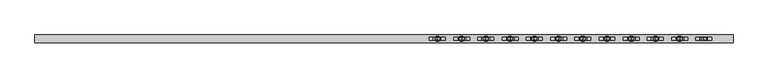
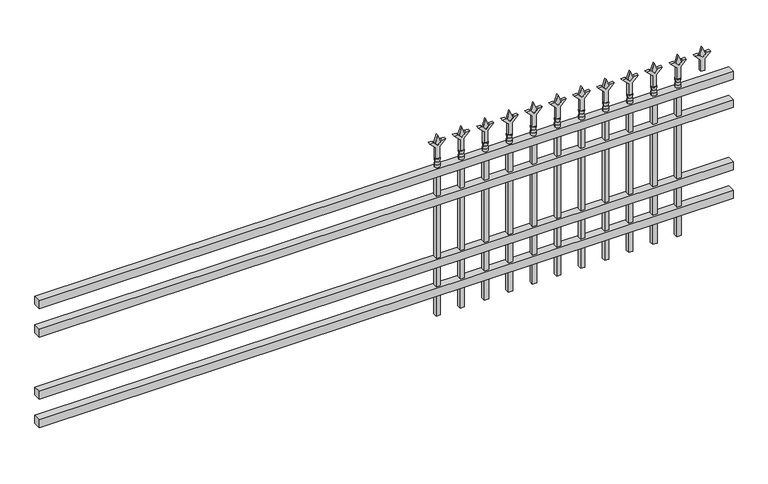
"""IFC4 building model written with IfcOpenShell, lengths in millimetres: railing geometry."""

from ifc_helpers import new_model, si_unit, frame, origin, place, context, project, spatial, polyline, circle_curve, outline, extrude, source, transform, mapped, element, save
from ifc_brep_helpers import plane_surface, cylinder_surface, revolved_surface, advanced_brep


def railing_8691bef2(model_context):
    return source(origin(), model_context, "Body", "SolidModel", [
        extrude(outline(polyline([(-91799.918087, -6748.7195174), (-91799.918087, -6713.7945174), (-88650.318087, -6713.7945174), (-88650.318087, -6748.7195174), (-91799.918087, -6748.7195174)])), frame((0.0, 0.0, 723.9), z_axis=(0.0, 0.0, 1.0), x_axis=(1.0, 0.0, 0.0)), (0.0, 0.0, 1.0), 38.1),
        extrude(outline(polyline([(-91799.918087, -6748.7195174), (-91799.918087, -6713.7945174), (-88650.318087, -6713.7945174), (-88650.318087, -6748.7195174), (-91799.918087, -6748.7195174)])), frame((0.0, 0.0, 587.375), z_axis=(0.0, 0.0, 1.0), x_axis=(1.0, 0.0, 0.0)), (0.0, 0.0, 1.0), 38.1),
        extrude(outline(polyline([(-91799.918087, -6748.7195174), (-91799.918087, -6713.7945174), (-88650.318087, -6713.7945174), (-88650.318087, -6748.7195174), (-91799.918087, -6748.7195174)])), frame((0.0, 0.0, 288.925), z_axis=(0.0, 0.0, 1.0), x_axis=(1.0, 0.0, 0.0)), (0.0, 0.0, 1.0), 38.1),
        extrude(outline(polyline([(-91799.918087, -6748.7195174), (-91799.918087, -6713.7945174), (-88650.318087, -6713.7945174), (-88650.318087, -6748.7195174), (-91799.918087, -6748.7195174)])), frame((0.0, 0.0, 152.4), z_axis=(0.0, 0.0, 1.0), x_axis=(1.0, 0.0, 0.0)), (0.0, 0.0, 1.0), 38.1),
        extrude(outline(polyline([(878.68125, -88879.4472536), (914.4, -88891.3535036), (878.68125, -88903.2597536), (866.775, -88891.3535036), (878.68125, -88879.4472536)])), frame((0.0, -6736.0195174, 0.0), z_axis=(0.0, 1.0, 0.0), x_axis=(0.0, 0.0, 1.0)), (0.0, 0.0, 1.0), 9.525),
        extrude(outline(polyline([(803.275, -88882.6222536), (857.5457378, -88882.6222536), (884.7355122, -88855.4324791), (884.7355122, -88873.3929914), (866.775, -88891.3535036), (884.7355122, -88909.3140159), (884.7355122, -88927.2745281), (857.5457378, -88900.0847536), (803.275, -88900.0847536), (803.275, -88882.6222536)])), frame((0.0, -6737.6070174, 0.0), z_axis=(0.0, 1.0, 0.0), x_axis=(0.0, 0.0, 1.0)), (0.0, 0.0, 1.0), 12.7),
        advanced_brep(
        [(-88879.4472536, -6731.2570174, 774.7), (-88903.2597536, -6731.2570174, 774.7), (-88903.2597536, -6731.2570174, 762.0), (-88879.4472536, -6731.2570174, 762.0), (-88881.6525855, -6731.2570174, 787.2070585), (-88901.0544218, -6731.2570174, 787.2070585), (-88879.4472536, -6731.2570174, 803.275), (-88903.2597536, -6731.2570174, 803.275), (-88891.3535036, -6731.2570174, 803.275), (-88891.3535036, -6731.2570174, 762.0)],
        [
            (0, 1, circle_curve(frame((-88891.3535036, -6731.2570174, 774.7), z_axis=(0.0, 0.0, -1.0), x_axis=(-1.0, 0.0, 0.0)), 11.90625)),
            (1, 2),
            (2, 3, circle_curve(frame((-88891.3535036, -6731.2570174, 762.0), z_axis=(0.0, 0.0, 1.0), x_axis=(-1.0, 0.0, 0.0)), 11.90625)),
            (3, 0),
            (1, 0, circle_curve(frame((-88891.3535036, -6731.2570174, 774.7), z_axis=(0.0, 0.0, -1.0), x_axis=(-1.0, 0.0, 0.0)), 11.90625)),
            (3, 2, circle_curve(frame((-88891.3535036, -6731.2570174, 762.0), z_axis=(0.0, 0.0, 1.0), x_axis=(-1.0, 0.0, 0.0)), 11.90625)),
            (4, 5, circle_curve(frame((-88891.3535036, -6731.2570174, 787.2070585), z_axis=(0.0, 0.0, -1.0), x_axis=(-1.0, 0.0, 0.0)), 9.7009181)),
            (5, 1),
            (0, 4),
            (5, 4, circle_curve(frame((-88891.3535036, -6731.2570174, 787.2070585), z_axis=(0.0, 0.0, -1.0), x_axis=(-1.0, 0.0, 0.0)), 9.7009181)),
            (6, 7, circle_curve(frame((-88891.3535036, -6731.2570174, 803.275), z_axis=(0.0, 0.0, -1.0), x_axis=(-1.0, 0.0, 0.0)), 11.90625)),
            (7, 5),
            (4, 6),
            (7, 6, circle_curve(frame((-88891.3535036, -6731.2570174, 803.275), z_axis=(0.0, 0.0, -1.0), x_axis=(-1.0, 0.0, 0.0)), 11.90625)),
            (8, 7),
            (6, 8),
            (2, 9),
            (9, 3),
        ],
        [
            cylinder_surface(frame((-88891.3535036, -6731.2570174, 762.0), z_axis=(0.0, 0.0, 1.0), x_axis=(-1.0, 0.0, 0.0)), 11.90625),
            revolved_surface(polyline([(-88903.2597536, -6731.2570174, 774.7), (-88901.0544218, -6731.2570174, 787.2070585)]), (-88891.3535036, -6731.2570174, 762.0), (0.0, 0.0, 1.0)),
            revolved_surface(polyline([(-88901.0544218, -6731.2570174, 787.2070585), (-88903.2597536, -6731.2570174, 803.275)]), (-88891.3535036, -6731.2570174, 762.0), (0.0, 0.0, 1.0)),
            plane_surface(frame((-88891.3535036, -6731.2570174, 803.275), z_axis=(0.0, 0.0, 1.0), x_axis=(-1.0, 0.0, 0.0))),
            plane_surface(frame((-88891.3535036, -6731.2570174, 762.0), z_axis=(0.0, 0.0, -1.0), x_axis=(-1.0, 0.0, 0.0))),
        ],
        [
            (0, [[1, 2, 3, 4]]),
            (0, [[5, -4, 6, -2]]),
            (1, [[7, 8, -1, 9]]),
            (1, [[10, -9, -5, -8]]),
            (2, [[11, 12, -7, 13]]),
            (2, [[14, -13, -10, -12]]),
            (3, [[15, -11, 16]]),
            (3, [[-16, -14, -15]]),
            (4, [[-3, 17, 18]]),
            (4, [[-6, -18, -17]]),
        ],
    ),
        extrude(outline(polyline([(-88900.8785036, -6721.7320174), (-88881.8285036, -6721.7320174), (-88881.8285036, -6740.7820174), (-88900.8785036, -6740.7820174), (-88900.8785036, -6721.7320174)])), frame((0.0, 0.0, 50.8), z_axis=(0.0, 0.0, 1.0), x_axis=(1.0, 0.0, 0.0)), (0.0, 0.0, 1.0), 711.2),
        extrude(outline(polyline([(878.68125, -88988.7201703), (914.4, -89000.6264203), (878.68125, -89012.5326703), (866.775, -89000.6264203), (878.68125, -88988.7201703)])), frame((0.0, -6736.0195174, 0.0), z_axis=(0.0, 1.0, 0.0), x_axis=(0.0, 0.0, 1.0)), (0.0, 0.0, 1.0), 9.525),
        extrude(outline(polyline([(803.275, -88991.8951703), (857.5457378, -88991.8951703), (884.7355122, -88964.7053958), (884.7355122, -88982.6659081), (866.775, -89000.6264203), (884.7355122, -89018.5869325), (884.7355122, -89036.5474448), (857.5457378, -89009.3576703), (803.275, -89009.3576703), (803.275, -88991.8951703)])), frame((0.0, -6737.6070174, 0.0), z_axis=(0.0, 1.0, 0.0), x_axis=(0.0, 0.0, 1.0)), (0.0, 0.0, 1.0), 12.7),
        advanced_brep(
        [(-88988.7201703, -6731.2570174, 774.7), (-89012.5326703, -6731.2570174, 774.7), (-89012.5326703, -6731.2570174, 762.0), (-88988.7201703, -6731.2570174, 762.0), (-88990.9255022, -6731.2570174, 787.2070585), (-89010.3273384, -6731.2570174, 787.2070585), (-88988.7201703, -6731.2570174, 803.275), (-89012.5326703, -6731.2570174, 803.275), (-89000.6264203, -6731.2570174, 803.275), (-89000.6264203, -6731.2570174, 762.0)],
        [
            (0, 1, circle_curve(frame((-89000.6264203, -6731.2570174, 774.7), z_axis=(0.0, 0.0, -1.0), x_axis=(-1.0, 0.0, 0.0)), 11.90625)),
            (1, 2),
            (2, 3, circle_curve(frame((-89000.6264203, -6731.2570174, 762.0), z_axis=(0.0, 0.0, 1.0), x_axis=(-1.0, 0.0, 0.0)), 11.90625)),
            (3, 0),
            (1, 0, circle_curve(frame((-89000.6264203, -6731.2570174, 774.7), z_axis=(0.0, 0.0, -1.0), x_axis=(-1.0, 0.0, 0.0)), 11.90625)),
            (3, 2, circle_curve(frame((-89000.6264203, -6731.2570174, 762.0), z_axis=(0.0, 0.0, 1.0), x_axis=(-1.0, 0.0, 0.0)), 11.90625)),
            (4, 5, circle_curve(frame((-89000.6264203, -6731.2570174, 787.2070585), z_axis=(0.0, 0.0, -1.0), x_axis=(-1.0, 0.0, 0.0)), 9.7009181)),
            (5, 1),
            (0, 4),
            (5, 4, circle_curve(frame((-89000.6264203, -6731.2570174, 787.2070585), z_axis=(0.0, 0.0, -1.0), x_axis=(-1.0, 0.0, 0.0)), 9.7009181)),
            (6, 7, circle_curve(frame((-89000.6264203, -6731.2570174, 803.275), z_axis=(0.0, 0.0, -1.0), x_axis=(-1.0, 0.0, 0.0)), 11.90625)),
            (7, 5),
            (4, 6),
            (7, 6, circle_curve(frame((-89000.6264203, -6731.2570174, 803.275), z_axis=(0.0, 0.0, -1.0), x_axis=(-1.0, 0.0, 0.0)), 11.90625)),
            (8, 7),
            (6, 8),
            (2, 9),
            (9, 3),
        ],
        [
            cylinder_surface(frame((-89000.6264203, -6731.2570174, 762.0), z_axis=(0.0, 0.0, 1.0), x_axis=(-1.0, 0.0, 0.0)), 11.90625),
            revolved_surface(polyline([(-89012.5326703, -6731.2570174, 774.7), (-89010.3273384, -6731.2570174, 787.2070585)]), (-89000.6264203, -6731.2570174, 762.0), (0.0, 0.0, 1.0)),
            revolved_surface(polyline([(-89010.3273384, -6731.2570174, 787.2070585), (-89012.5326703, -6731.2570174, 803.275)]), (-89000.6264203, -6731.2570174, 762.0), (0.0, 0.0, 1.0)),
            plane_surface(frame((-89000.6264203, -6731.2570174, 803.275), z_axis=(0.0, 0.0, 1.0), x_axis=(-1.0, 0.0, 0.0))),
            plane_surface(frame((-89000.6264203, -6731.2570174, 762.0), z_axis=(0.0, 0.0, -1.0), x_axis=(-1.0, 0.0, 0.0))),
        ],
        [
            (0, [[1, 2, 3, 4]]),
            (0, [[5, -4, 6, -2]]),
            (1, [[7, 8, -1, 9]]),
            (1, [[10, -9, -5, -8]]),
            (2, [[11, 12, -7, 13]]),
            (2, [[14, -13, -10, -12]]),
            (3, [[15, -11, 16]]),
            (3, [[-16, -14, -15]]),
            (4, [[-3, 17, 18]]),
            (4, [[-6, -18, -17]]),
        ],
    ),
        extrude(outline(polyline([(-89010.1514203, -6721.7320174), (-88991.1014203, -6721.7320174), (-88991.1014203, -6740.7820174), (-89010.1514203, -6740.7820174), (-89010.1514203, -6721.7320174)])), frame((0.0, 0.0, 50.8), z_axis=(0.0, 0.0, 1.0), x_axis=(1.0, 0.0, 0.0)), (0.0, 0.0, 1.0), 711.2),
        extrude(outline(polyline([(878.68125, -89097.993087), (914.4, -89109.899337), (878.68125, -89121.805587), (866.775, -89109.899337), (878.68125, -89097.993087)])), frame((0.0, -6736.0195174, 0.0), z_axis=(0.0, 1.0, 0.0), x_axis=(0.0, 0.0, 1.0)), (0.0, 0.0, 1.0), 9.525),
        extrude(outline(polyline([(803.275, -89101.168087), (857.5457378, -89101.168087), (884.7355122, -89073.9783125), (884.7355122, -89091.9388247), (866.775, -89109.899337), (884.7355122, -89127.8598492), (884.7355122, -89145.8203614), (857.5457378, -89118.630587), (803.275, -89118.630587), (803.275, -89101.168087)])), frame((0.0, -6737.6070174, 0.0), z_axis=(0.0, 1.0, 0.0), x_axis=(0.0, 0.0, 1.0)), (0.0, 0.0, 1.0), 12.7),
        advanced_brep(
        [(-89097.993087, -6731.2570174, 774.7), (-89121.805587, -6731.2570174, 774.7), (-89121.805587, -6731.2570174, 762.0), (-89097.993087, -6731.2570174, 762.0), (-89100.1984188, -6731.2570174, 787.2070585), (-89119.6002551, -6731.2570174, 787.2070585), (-89097.993087, -6731.2570174, 803.275), (-89121.805587, -6731.2570174, 803.275), (-89109.899337, -6731.2570174, 803.275), (-89109.899337, -6731.2570174, 762.0)],
        [
            (0, 1, circle_curve(frame((-89109.899337, -6731.2570174, 774.7), z_axis=(0.0, 0.0, -1.0), x_axis=(-1.0, 0.0, 0.0)), 11.90625)),
            (1, 2),
            (2, 3, circle_curve(frame((-89109.899337, -6731.2570174, 762.0), z_axis=(0.0, 0.0, 1.0), x_axis=(-1.0, 0.0, 0.0)), 11.90625)),
            (3, 0),
            (1, 0, circle_curve(frame((-89109.899337, -6731.2570174, 774.7), z_axis=(0.0, 0.0, -1.0), x_axis=(-1.0, 0.0, 0.0)), 11.90625)),
            (3, 2, circle_curve(frame((-89109.899337, -6731.2570174, 762.0), z_axis=(0.0, 0.0, 1.0), x_axis=(-1.0, 0.0, 0.0)), 11.90625)),
            (4, 5, circle_curve(frame((-89109.899337, -6731.2570174, 787.2070585), z_axis=(0.0, 0.0, -1.0), x_axis=(-1.0, 0.0, 0.0)), 9.7009181)),
            (5, 1),
            (0, 4),
            (5, 4, circle_curve(frame((-89109.899337, -6731.2570174, 787.2070585), z_axis=(0.0, 0.0, -1.0), x_axis=(-1.0, 0.0, 0.0)), 9.7009181)),
            (6, 7, circle_curve(frame((-89109.899337, -6731.2570174, 803.275), z_axis=(0.0, 0.0, -1.0), x_axis=(-1.0, 0.0, 0.0)), 11.90625)),
            (7, 5),
            (4, 6),
            (7, 6, circle_curve(frame((-89109.899337, -6731.2570174, 803.275), z_axis=(0.0, 0.0, -1.0), x_axis=(-1.0, 0.0, 0.0)), 11.90625)),
            (8, 7),
            (6, 8),
            (2, 9),
            (9, 3),
        ],
        [
            cylinder_surface(frame((-89109.899337, -6731.2570174, 762.0), z_axis=(0.0, 0.0, 1.0), x_axis=(-1.0, 0.0, 0.0)), 11.90625),
            revolved_surface(polyline([(-89121.805587, -6731.2570174, 774.7), (-89119.6002551, -6731.2570174, 787.2070585)]), (-89109.899337, -6731.2570174, 762.0), (0.0, 0.0, 1.0)),
            revolved_surface(polyline([(-89119.6002551, -6731.2570174, 787.2070585), (-89121.805587, -6731.2570174, 803.275)]), (-89109.899337, -6731.2570174, 762.0), (0.0, 0.0, 1.0)),
            plane_surface(frame((-89109.899337, -6731.2570174, 803.275), z_axis=(0.0, 0.0, 1.0), x_axis=(-1.0, 0.0, 0.0))),
            plane_surface(frame((-89109.899337, -6731.2570174, 762.0), z_axis=(0.0, 0.0, -1.0), x_axis=(-1.0, 0.0, 0.0))),
        ],
        [
            (0, [[1, 2, 3, 4]]),
            (0, [[5, -4, 6, -2]]),
            (1, [[7, 8, -1, 9]]),
            (1, [[10, -9, -5, -8]]),
            (2, [[11, 12, -7, 13]]),
            (2, [[14, -13, -10, -12]]),
            (3, [[15, -11, 16]]),
            (3, [[-16, -14, -15]]),
            (4, [[-3, 17, 18]]),
            (4, [[-6, -18, -17]]),
        ],
    ),
        extrude(outline(polyline([(-89119.424337, -6721.7320174), (-89100.374337, -6721.7320174), (-89100.374337, -6740.7820174), (-89119.424337, -6740.7820174), (-89119.424337, -6721.7320174)])), frame((0.0, 0.0, 50.8), z_axis=(0.0, 0.0, 1.0), x_axis=(1.0, 0.0, 0.0)), (0.0, 0.0, 1.0), 711.2),
        extrude(outline(polyline([(878.68125, -89207.2660036), (914.4, -89219.1722536), (878.68125, -89231.0785036), (866.775, -89219.1722536), (878.68125, -89207.2660036)])), frame((0.0, -6736.0195174, 0.0), z_axis=(0.0, 1.0, 0.0), x_axis=(0.0, 0.0, 1.0)), (0.0, 0.0, 1.0), 9.525),
        extrude(outline(polyline([(803.275, -89210.4410036), (857.5457378, -89210.4410036), (884.7355122, -89183.2512291), (884.7355122, -89201.2117414), (866.775, -89219.1722536), (884.7355122, -89237.1327659), (884.7355122, -89255.0932781), (857.5457378, -89227.9035036), (803.275, -89227.9035036), (803.275, -89210.4410036)])), frame((0.0, -6737.6070174, 0.0), z_axis=(0.0, 1.0, 0.0), x_axis=(0.0, 0.0, 1.0)), (0.0, 0.0, 1.0), 12.7),
        advanced_brep(
        [(-89207.2660036, -6731.2570174, 774.7), (-89231.0785036, -6731.2570174, 774.7), (-89231.0785036, -6731.2570174, 762.0), (-89207.2660036, -6731.2570174, 762.0), (-89209.4713355, -6731.2570174, 787.2070585), (-89228.8731718, -6731.2570174, 787.2070585), (-89207.2660036, -6731.2570174, 803.275), (-89231.0785036, -6731.2570174, 803.275), (-89219.1722536, -6731.2570174, 803.275), (-89219.1722536, -6731.2570174, 762.0)],
        [
            (0, 1, circle_curve(frame((-89219.1722536, -6731.2570174, 774.7), z_axis=(0.0, 0.0, -1.0), x_axis=(-1.0, 0.0, 0.0)), 11.90625)),
            (1, 2),
            (2, 3, circle_curve(frame((-89219.1722536, -6731.2570174, 762.0), z_axis=(0.0, 0.0, 1.0), x_axis=(-1.0, 0.0, 0.0)), 11.90625)),
            (3, 0),
            (1, 0, circle_curve(frame((-89219.1722536, -6731.2570174, 774.7), z_axis=(0.0, 0.0, -1.0), x_axis=(-1.0, 0.0, 0.0)), 11.90625)),
            (3, 2, circle_curve(frame((-89219.1722536, -6731.2570174, 762.0), z_axis=(0.0, 0.0, 1.0), x_axis=(-1.0, 0.0, 0.0)), 11.90625)),
            (4, 5, circle_curve(frame((-89219.1722536, -6731.2570174, 787.2070585), z_axis=(0.0, 0.0, -1.0), x_axis=(-1.0, 0.0, 0.0)), 9.7009181)),
            (5, 1),
            (0, 4),
            (5, 4, circle_curve(frame((-89219.1722536, -6731.2570174, 787.2070585), z_axis=(0.0, 0.0, -1.0), x_axis=(-1.0, 0.0, 0.0)), 9.7009181)),
            (6, 7, circle_curve(frame((-89219.1722536, -6731.2570174, 803.275), z_axis=(0.0, 0.0, -1.0), x_axis=(-1.0, 0.0, 0.0)), 11.90625)),
            (7, 5),
            (4, 6),
            (7, 6, circle_curve(frame((-89219.1722536, -6731.2570174, 803.275), z_axis=(0.0, 0.0, -1.0), x_axis=(-1.0, 0.0, 0.0)), 11.90625)),
            (8, 7),
            (6, 8),
            (2, 9),
            (9, 3),
        ],
        [
            cylinder_surface(frame((-89219.1722536, -6731.2570174, 762.0), z_axis=(0.0, 0.0, 1.0), x_axis=(-1.0, 0.0, 0.0)), 11.90625),
            revolved_surface(polyline([(-89231.0785036, -6731.2570174, 774.7), (-89228.8731718, -6731.2570174, 787.2070585)]), (-89219.1722536, -6731.2570174, 762.0), (0.0, 0.0, 1.0)),
            revolved_surface(polyline([(-89228.8731718, -6731.2570174, 787.2070585), (-89231.0785036, -6731.2570174, 803.275)]), (-89219.1722536, -6731.2570174, 762.0), (0.0, 0.0, 1.0)),
            plane_surface(frame((-89219.1722536, -6731.2570174, 803.275), z_axis=(0.0, 0.0, 1.0), x_axis=(-1.0, 0.0, 0.0))),
            plane_surface(frame((-89219.1722536, -6731.2570174, 762.0), z_axis=(0.0, 0.0, -1.0), x_axis=(-1.0, 0.0, 0.0))),
        ],
        [
            (0, [[1, 2, 3, 4]]),
            (0, [[5, -4, 6, -2]]),
            (1, [[7, 8, -1, 9]]),
            (1, [[10, -9, -5, -8]]),
            (2, [[11, 12, -7, 13]]),
            (2, [[14, -13, -10, -12]]),
            (3, [[15, -11, 16]]),
            (3, [[-16, -14, -15]]),
            (4, [[-3, 17, 18]]),
            (4, [[-6, -18, -17]]),
        ],
    ),
        extrude(outline(polyline([(-89228.6972536, -6721.7320174), (-89209.6472536, -6721.7320174), (-89209.6472536, -6740.7820174), (-89228.6972536, -6740.7820174), (-89228.6972536, -6721.7320174)])), frame((0.0, 0.0, 50.8), z_axis=(0.0, 0.0, 1.0), x_axis=(1.0, 0.0, 0.0)), (0.0, 0.0, 1.0), 711.2),
        extrude(outline(polyline([(878.68125, -89316.5389203), (914.4, -89328.4451703), (878.68125, -89340.3514203), (866.775, -89328.4451703), (878.68125, -89316.5389203)])), frame((0.0, -6736.0195174, 0.0), z_axis=(0.0, 1.0, 0.0), x_axis=(0.0, 0.0, 1.0)), (0.0, 0.0, 1.0), 9.525),
        extrude(outline(polyline([(803.275, -89319.7139203), (857.5457378, -89319.7139203), (884.7355122, -89292.5241458), (884.7355122, -89310.4846581), (866.775, -89328.4451703), (884.7355122, -89346.4056825), (884.7355122, -89364.3661948), (857.5457378, -89337.1764203), (803.275, -89337.1764203), (803.275, -89319.7139203)])), frame((0.0, -6737.6070174, 0.0), z_axis=(0.0, 1.0, 0.0), x_axis=(0.0, 0.0, 1.0)), (0.0, 0.0, 1.0), 12.7),
        advanced_brep(
        [(-89316.5389203, -6731.2570174, 774.7), (-89340.3514203, -6731.2570174, 774.7), (-89340.3514203, -6731.2570174, 762.0), (-89316.5389203, -6731.2570174, 762.0), (-89318.7442522, -6731.2570174, 787.2070585), (-89338.1460884, -6731.2570174, 787.2070585), (-89316.5389203, -6731.2570174, 803.275), (-89340.3514203, -6731.2570174, 803.275), (-89328.4451703, -6731.2570174, 803.275), (-89328.4451703, -6731.2570174, 762.0)],
        [
            (0, 1, circle_curve(frame((-89328.4451703, -6731.2570174, 774.7), z_axis=(0.0, 0.0, -1.0), x_axis=(-1.0, 0.0, 0.0)), 11.90625)),
            (1, 2),
            (2, 3, circle_curve(frame((-89328.4451703, -6731.2570174, 762.0), z_axis=(0.0, 0.0, 1.0), x_axis=(-1.0, 0.0, 0.0)), 11.90625)),
            (3, 0),
            (1, 0, circle_curve(frame((-89328.4451703, -6731.2570174, 774.7), z_axis=(0.0, 0.0, -1.0), x_axis=(-1.0, 0.0, 0.0)), 11.90625)),
            (3, 2, circle_curve(frame((-89328.4451703, -6731.2570174, 762.0), z_axis=(0.0, 0.0, 1.0), x_axis=(-1.0, 0.0, 0.0)), 11.90625)),
            (4, 5, circle_curve(frame((-89328.4451703, -6731.2570174, 787.2070585), z_axis=(0.0, 0.0, -1.0), x_axis=(-1.0, 0.0, 0.0)), 9.7009181)),
            (5, 1),
            (0, 4),
            (5, 4, circle_curve(frame((-89328.4451703, -6731.2570174, 787.2070585), z_axis=(0.0, 0.0, -1.0), x_axis=(-1.0, 0.0, 0.0)), 9.7009181)),
            (6, 7, circle_curve(frame((-89328.4451703, -6731.2570174, 803.275), z_axis=(0.0, 0.0, -1.0), x_axis=(-1.0, 0.0, 0.0)), 11.90625)),
            (7, 5),
            (4, 6),
            (7, 6, circle_curve(frame((-89328.4451703, -6731.2570174, 803.275), z_axis=(0.0, 0.0, -1.0), x_axis=(-1.0, 0.0, 0.0)), 11.90625)),
            (8, 7),
            (6, 8),
            (2, 9),
            (9, 3),
        ],
        [
            cylinder_surface(frame((-89328.4451703, -6731.2570174, 762.0), z_axis=(0.0, 0.0, 1.0), x_axis=(-1.0, 0.0, 0.0)), 11.90625),
            revolved_surface(polyline([(-89340.3514203, -6731.2570174, 774.7), (-89338.1460884, -6731.2570174, 787.2070585)]), (-89328.4451703, -6731.2570174, 762.0), (0.0, 0.0, 1.0)),
            revolved_surface(polyline([(-89338.1460884, -6731.2570174, 787.2070585), (-89340.3514203, -6731.2570174, 803.275)]), (-89328.4451703, -6731.2570174, 762.0), (0.0, 0.0, 1.0)),
            plane_surface(frame((-89328.4451703, -6731.2570174, 803.275), z_axis=(0.0, 0.0, 1.0), x_axis=(-1.0, 0.0, 0.0))),
            plane_surface(frame((-89328.4451703, -6731.2570174, 762.0), z_axis=(0.0, 0.0, -1.0), x_axis=(-1.0, 0.0, 0.0))),
        ],
        [
            (0, [[1, 2, 3, 4]]),
            (0, [[5, -4, 6, -2]]),
            (1, [[7, 8, -1, 9]]),
            (1, [[10, -9, -5, -8]]),
            (2, [[11, 12, -7, 13]]),
            (2, [[14, -13, -10, -12]]),
            (3, [[15, -11, 16]]),
            (3, [[-16, -14, -15]]),
            (4, [[-3, 17, 18]]),
            (4, [[-6, -18, -17]]),
        ],
    ),
        extrude(outline(polyline([(-89337.9701703, -6721.7320174), (-89318.9201703, -6721.7320174), (-89318.9201703, -6740.7820174), (-89337.9701703, -6740.7820174), (-89337.9701703, -6721.7320174)])), frame((0.0, 0.0, 50.8), z_axis=(0.0, 0.0, 1.0), x_axis=(1.0, 0.0, 0.0)), (0.0, 0.0, 1.0), 711.2),
        extrude(outline(polyline([(878.68125, -89425.811837), (914.4, -89437.718087), (878.68125, -89449.624337), (866.775, -89437.718087), (878.68125, -89425.811837)])), frame((0.0, -6736.0195174, 0.0), z_axis=(0.0, 1.0, 0.0), x_axis=(0.0, 0.0, 1.0)), (0.0, 0.0, 1.0), 9.525),
        extrude(outline(polyline([(803.275, -89428.986837), (857.5457378, -89428.986837), (884.7355122, -89401.7970625), (884.7355122, -89419.7575747), (866.775, -89437.718087), (884.7355122, -89455.6785992), (884.7355122, -89473.6391114), (857.5457378, -89446.449337), (803.275, -89446.449337), (803.275, -89428.986837)])), frame((0.0, -6737.6070174, 0.0), z_axis=(0.0, 1.0, 0.0), x_axis=(0.0, 0.0, 1.0)), (0.0, 0.0, 1.0), 12.7),
        advanced_brep(
        [(-89425.811837, -6731.2570174, 774.7), (-89449.624337, -6731.2570174, 774.7), (-89449.624337, -6731.2570174, 762.0), (-89425.811837, -6731.2570174, 762.0), (-89428.0171688, -6731.2570174, 787.2070585), (-89447.4190051, -6731.2570174, 787.2070585), (-89425.811837, -6731.2570174, 803.275), (-89449.624337, -6731.2570174, 803.275), (-89437.718087, -6731.2570174, 803.275), (-89437.718087, -6731.2570174, 762.0)],
        [
            (0, 1, circle_curve(frame((-89437.718087, -6731.2570174, 774.7), z_axis=(0.0, 0.0, -1.0), x_axis=(-1.0, 0.0, 0.0)), 11.90625)),
            (1, 2),
            (2, 3, circle_curve(frame((-89437.718087, -6731.2570174, 762.0), z_axis=(0.0, 0.0, 1.0), x_axis=(-1.0, 0.0, 0.0)), 11.90625)),
            (3, 0),
            (1, 0, circle_curve(frame((-89437.718087, -6731.2570174, 774.7), z_axis=(0.0, 0.0, -1.0), x_axis=(-1.0, 0.0, 0.0)), 11.90625)),
            (3, 2, circle_curve(frame((-89437.718087, -6731.2570174, 762.0), z_axis=(0.0, 0.0, 1.0), x_axis=(-1.0, 0.0, 0.0)), 11.90625)),
            (4, 5, circle_curve(frame((-89437.718087, -6731.2570174, 787.2070585), z_axis=(0.0, 0.0, -1.0), x_axis=(-1.0, 0.0, 0.0)), 9.7009181)),
            (5, 1),
            (0, 4),
            (5, 4, circle_curve(frame((-89437.718087, -6731.2570174, 787.2070585), z_axis=(0.0, 0.0, -1.0), x_axis=(-1.0, 0.0, 0.0)), 9.7009181)),
            (6, 7, circle_curve(frame((-89437.718087, -6731.2570174, 803.275), z_axis=(0.0, 0.0, -1.0), x_axis=(-1.0, 0.0, 0.0)), 11.90625)),
            (7, 5),
            (4, 6),
            (7, 6, circle_curve(frame((-89437.718087, -6731.2570174, 803.275), z_axis=(0.0, 0.0, -1.0), x_axis=(-1.0, 0.0, 0.0)), 11.90625)),
            (8, 7),
            (6, 8),
            (2, 9),
            (9, 3),
        ],
        [
            cylinder_surface(frame((-89437.718087, -6731.2570174, 762.0), z_axis=(0.0, 0.0, 1.0), x_axis=(-1.0, 0.0, 0.0)), 11.90625),
            revolved_surface(polyline([(-89449.624337, -6731.2570174, 774.7), (-89447.4190051, -6731.2570174, 787.2070585)]), (-89437.718087, -6731.2570174, 762.0), (0.0, 0.0, 1.0)),
            revolved_surface(polyline([(-89447.4190051, -6731.2570174, 787.2070585), (-89449.624337, -6731.2570174, 803.275)]), (-89437.718087, -6731.2570174, 762.0), (0.0, 0.0, 1.0)),
            plane_surface(frame((-89437.718087, -6731.2570174, 803.275), z_axis=(0.0, 0.0, 1.0), x_axis=(-1.0, 0.0, 0.0))),
            plane_surface(frame((-89437.718087, -6731.2570174, 762.0), z_axis=(0.0, 0.0, -1.0), x_axis=(-1.0, 0.0, 0.0))),
        ],
        [
            (0, [[1, 2, 3, 4]]),
            (0, [[5, -4, 6, -2]]),
            (1, [[7, 8, -1, 9]]),
            (1, [[10, -9, -5, -8]]),
            (2, [[11, 12, -7, 13]]),
            (2, [[14, -13, -10, -12]]),
            (3, [[15, -11, 16]]),
            (3, [[-16, -14, -15]]),
            (4, [[-3, 17, 18]]),
            (4, [[-6, -18, -17]]),
        ],
    ),
        extrude(outline(polyline([(-89447.243087, -6721.7320174), (-89428.193087, -6721.7320174), (-89428.193087, -6740.7820174), (-89447.243087, -6740.7820174), (-89447.243087, -6721.7320174)])), frame((0.0, 0.0, 50.8), z_axis=(0.0, 0.0, 1.0), x_axis=(1.0, 0.0, 0.0)), (0.0, 0.0, 1.0), 711.2),
        extrude(outline(polyline([(878.68125, -89535.0847536), (914.4, -89546.9910036), (878.68125, -89558.8972536), (866.775, -89546.9910036), (878.68125, -89535.0847536)])), frame((0.0, -6736.0195174, 0.0), z_axis=(0.0, 1.0, 0.0), x_axis=(0.0, 0.0, 1.0)), (0.0, 0.0, 1.0), 9.525),
        extrude(outline(polyline([(803.275, -89538.2597536), (857.5457378, -89538.2597536), (884.7355122, -89511.0699791), (884.7355122, -89529.0304914), (866.775, -89546.9910036), (884.7355122, -89564.9515159), (884.7355122, -89582.9120281), (857.5457378, -89555.7222536), (803.275, -89555.7222536), (803.275, -89538.2597536)])), frame((0.0, -6737.6070174, 0.0), z_axis=(0.0, 1.0, 0.0), x_axis=(0.0, 0.0, 1.0)), (0.0, 0.0, 1.0), 12.7),
        advanced_brep(
        [(-89535.0847536, -6731.2570174, 774.7), (-89558.8972536, -6731.2570174, 774.7), (-89558.8972536, -6731.2570174, 762.0), (-89535.0847536, -6731.2570174, 762.0), (-89537.2900855, -6731.2570174, 787.2070585), (-89556.6919218, -6731.2570174, 787.2070585), (-89535.0847536, -6731.2570174, 803.275), (-89558.8972536, -6731.2570174, 803.275), (-89546.9910036, -6731.2570174, 803.275), (-89546.9910036, -6731.2570174, 762.0)],
        [
            (0, 1, circle_curve(frame((-89546.9910036, -6731.2570174, 774.7), z_axis=(0.0, 0.0, -1.0), x_axis=(-1.0, 0.0, 0.0)), 11.90625)),
            (1, 2),
            (2, 3, circle_curve(frame((-89546.9910036, -6731.2570174, 762.0), z_axis=(0.0, 0.0, 1.0), x_axis=(-1.0, 0.0, 0.0)), 11.90625)),
            (3, 0),
            (1, 0, circle_curve(frame((-89546.9910036, -6731.2570174, 774.7), z_axis=(0.0, 0.0, -1.0), x_axis=(-1.0, 0.0, 0.0)), 11.90625)),
            (3, 2, circle_curve(frame((-89546.9910036, -6731.2570174, 762.0), z_axis=(0.0, 0.0, 1.0), x_axis=(-1.0, 0.0, 0.0)), 11.90625)),
            (4, 5, circle_curve(frame((-89546.9910036, -6731.2570174, 787.2070585), z_axis=(0.0, 0.0, -1.0), x_axis=(-1.0, 0.0, 0.0)), 9.7009181)),
            (5, 1),
            (0, 4),
            (5, 4, circle_curve(frame((-89546.9910036, -6731.2570174, 787.2070585), z_axis=(0.0, 0.0, -1.0), x_axis=(-1.0, 0.0, 0.0)), 9.7009181)),
            (6, 7, circle_curve(frame((-89546.9910036, -6731.2570174, 803.275), z_axis=(0.0, 0.0, -1.0), x_axis=(-1.0, 0.0, 0.0)), 11.90625)),
            (7, 5),
            (4, 6),
            (7, 6, circle_curve(frame((-89546.9910036, -6731.2570174, 803.275), z_axis=(0.0, 0.0, -1.0), x_axis=(-1.0, 0.0, 0.0)), 11.90625)),
            (8, 7),
            (6, 8),
            (2, 9),
            (9, 3),
        ],
        [
            cylinder_surface(frame((-89546.9910036, -6731.2570174, 762.0), z_axis=(0.0, 0.0, 1.0), x_axis=(-1.0, 0.0, 0.0)), 11.90625),
            revolved_surface(polyline([(-89558.8972536, -6731.2570174, 774.7), (-89556.6919218, -6731.2570174, 787.2070585)]), (-89546.9910036, -6731.2570174, 762.0), (0.0, 0.0, 1.0)),
            revolved_surface(polyline([(-89556.6919218, -6731.2570174, 787.2070585), (-89558.8972536, -6731.2570174, 803.275)]), (-89546.9910036, -6731.2570174, 762.0), (0.0, 0.0, 1.0)),
            plane_surface(frame((-89546.9910036, -6731.2570174, 803.275), z_axis=(0.0, 0.0, 1.0), x_axis=(-1.0, 0.0, 0.0))),
            plane_surface(frame((-89546.9910036, -6731.2570174, 762.0), z_axis=(0.0, 0.0, -1.0), x_axis=(-1.0, 0.0, 0.0))),
        ],
        [
            (0, [[1, 2, 3, 4]]),
            (0, [[5, -4, 6, -2]]),
            (1, [[7, 8, -1, 9]]),
            (1, [[10, -9, -5, -8]]),
            (2, [[11, 12, -7, 13]]),
            (2, [[14, -13, -10, -12]]),
            (3, [[15, -11, 16]]),
            (3, [[-16, -14, -15]]),
            (4, [[-3, 17, 18]]),
            (4, [[-6, -18, -17]]),
        ],
    ),
        extrude(outline(polyline([(-89556.5160036, -6721.7320174), (-89537.4660036, -6721.7320174), (-89537.4660036, -6740.7820174), (-89556.5160036, -6740.7820174), (-89556.5160036, -6721.7320174)])), frame((0.0, 0.0, 50.8), z_axis=(0.0, 0.0, 1.0), x_axis=(1.0, 0.0, 0.0)), (0.0, 0.0, 1.0), 711.2),
        extrude(outline(polyline([(878.68125, -89644.3576703), (914.4, -89656.2639203), (878.68125, -89668.1701703), (866.775, -89656.2639203), (878.68125, -89644.3576703)])), frame((0.0, -6736.0195174, 0.0), z_axis=(0.0, 1.0, 0.0), x_axis=(0.0, 0.0, 1.0)), (0.0, 0.0, 1.0), 9.525),
        extrude(outline(polyline([(803.275, -89647.5326703), (857.5457378, -89647.5326703), (884.7355122, -89620.3428958), (884.7355122, -89638.3034081), (866.775, -89656.2639203), (884.7355122, -89674.2244325), (884.7355122, -89692.1849448), (857.5457378, -89664.9951703), (803.275, -89664.9951703), (803.275, -89647.5326703)])), frame((0.0, -6737.6070174, 0.0), z_axis=(0.0, 1.0, 0.0), x_axis=(0.0, 0.0, 1.0)), (0.0, 0.0, 1.0), 12.7),
        advanced_brep(
        [(-89644.3576703, -6731.2570174, 774.7), (-89668.1701703, -6731.2570174, 774.7), (-89668.1701703, -6731.2570174, 762.0), (-89644.3576703, -6731.2570174, 762.0), (-89646.5630022, -6731.2570174, 787.2070585), (-89665.9648384, -6731.2570174, 787.2070585), (-89644.3576703, -6731.2570174, 803.275), (-89668.1701703, -6731.2570174, 803.275), (-89656.2639203, -6731.2570174, 803.275), (-89656.2639203, -6731.2570174, 762.0)],
        [
            (0, 1, circle_curve(frame((-89656.2639203, -6731.2570174, 774.7), z_axis=(0.0, 0.0, -1.0), x_axis=(-1.0, 0.0, 0.0)), 11.90625)),
            (1, 2),
            (2, 3, circle_curve(frame((-89656.2639203, -6731.2570174, 762.0), z_axis=(0.0, 0.0, 1.0), x_axis=(-1.0, 0.0, 0.0)), 11.90625)),
            (3, 0),
            (1, 0, circle_curve(frame((-89656.2639203, -6731.2570174, 774.7), z_axis=(0.0, 0.0, -1.0), x_axis=(-1.0, 0.0, 0.0)), 11.90625)),
            (3, 2, circle_curve(frame((-89656.2639203, -6731.2570174, 762.0), z_axis=(0.0, 0.0, 1.0), x_axis=(-1.0, 0.0, 0.0)), 11.90625)),
            (4, 5, circle_curve(frame((-89656.2639203, -6731.2570174, 787.2070585), z_axis=(0.0, 0.0, -1.0), x_axis=(-1.0, 0.0, 0.0)), 9.7009181)),
            (5, 1),
            (0, 4),
            (5, 4, circle_curve(frame((-89656.2639203, -6731.2570174, 787.2070585), z_axis=(0.0, 0.0, -1.0), x_axis=(-1.0, 0.0, 0.0)), 9.7009181)),
            (6, 7, circle_curve(frame((-89656.2639203, -6731.2570174, 803.275), z_axis=(0.0, 0.0, -1.0), x_axis=(-1.0, 0.0, 0.0)), 11.90625)),
            (7, 5),
            (4, 6),
            (7, 6, circle_curve(frame((-89656.2639203, -6731.2570174, 803.275), z_axis=(0.0, 0.0, -1.0), x_axis=(-1.0, 0.0, 0.0)), 11.90625)),
            (8, 7),
            (6, 8),
            (2, 9),
            (9, 3),
        ],
        [
            cylinder_surface(frame((-89656.2639203, -6731.2570174, 762.0), z_axis=(0.0, 0.0, 1.0), x_axis=(-1.0, 0.0, 0.0)), 11.90625),
            revolved_surface(polyline([(-89668.1701703, -6731.2570174, 774.7), (-89665.9648384, -6731.2570174, 787.2070585)]), (-89656.2639203, -6731.2570174, 762.0), (0.0, 0.0, 1.0)),
            revolved_surface(polyline([(-89665.9648384, -6731.2570174, 787.2070585), (-89668.1701703, -6731.2570174, 803.275)]), (-89656.2639203, -6731.2570174, 762.0), (0.0, 0.0, 1.0)),
            plane_surface(frame((-89656.2639203, -6731.2570174, 803.275), z_axis=(0.0, 0.0, 1.0), x_axis=(-1.0, 0.0, 0.0))),
            plane_surface(frame((-89656.2639203, -6731.2570174, 762.0), z_axis=(0.0, 0.0, -1.0), x_axis=(-1.0, 0.0, 0.0))),
        ],
        [
            (0, [[1, 2, 3, 4]]),
            (0, [[5, -4, 6, -2]]),
            (1, [[7, 8, -1, 9]]),
            (1, [[10, -9, -5, -8]]),
            (2, [[11, 12, -7, 13]]),
            (2, [[14, -13, -10, -12]]),
            (3, [[15, -11, 16]]),
            (3, [[-16, -14, -15]]),
            (4, [[-3, 17, 18]]),
            (4, [[-6, -18, -17]]),
        ],
    ),
        extrude(outline(polyline([(-89665.7889203, -6721.7320174), (-89646.7389203, -6721.7320174), (-89646.7389203, -6740.7820174), (-89665.7889203, -6740.7820174), (-89665.7889203, -6721.7320174)])), frame((0.0, 0.0, 50.8), z_axis=(0.0, 0.0, 1.0), x_axis=(1.0, 0.0, 0.0)), (0.0, 0.0, 1.0), 711.2),
        extrude(outline(polyline([(878.68125, -89753.630587), (914.4, -89765.536837), (878.68125, -89777.443087), (866.775, -89765.536837), (878.68125, -89753.630587)])), frame((0.0, -6736.0195174, 0.0), z_axis=(0.0, 1.0, 0.0), x_axis=(0.0, 0.0, 1.0)), (0.0, 0.0, 1.0), 9.525),
        extrude(outline(polyline([(803.275, -89756.805587), (857.5457378, -89756.805587), (884.7355122, -89729.6158125), (884.7355122, -89747.5763247), (866.775, -89765.536837), (884.7355122, -89783.4973492), (884.7355122, -89801.4578614), (857.5457378, -89774.268087), (803.275, -89774.268087), (803.275, -89756.805587)])), frame((0.0, -6737.6070174, 0.0), z_axis=(0.0, 1.0, 0.0), x_axis=(0.0, 0.0, 1.0)), (0.0, 0.0, 1.0), 12.7),
        advanced_brep(
        [(-89753.630587, -6731.2570174, 774.7), (-89777.443087, -6731.2570174, 774.7), (-89777.443087, -6731.2570174, 762.0), (-89753.630587, -6731.2570174, 762.0), (-89755.8359188, -6731.2570174, 787.2070585), (-89775.2377551, -6731.2570174, 787.2070585), (-89753.630587, -6731.2570174, 803.275), (-89777.443087, -6731.2570174, 803.275), (-89765.536837, -6731.2570174, 803.275), (-89765.536837, -6731.2570174, 762.0)],
        [
            (0, 1, circle_curve(frame((-89765.536837, -6731.2570174, 774.7), z_axis=(0.0, 0.0, -1.0), x_axis=(-1.0, 0.0, 0.0)), 11.90625)),
            (1, 2),
            (2, 3, circle_curve(frame((-89765.536837, -6731.2570174, 762.0), z_axis=(0.0, 0.0, 1.0), x_axis=(-1.0, 0.0, 0.0)), 11.90625)),
            (3, 0),
            (1, 0, circle_curve(frame((-89765.536837, -6731.2570174, 774.7), z_axis=(0.0, 0.0, -1.0), x_axis=(-1.0, 0.0, 0.0)), 11.90625)),
            (3, 2, circle_curve(frame((-89765.536837, -6731.2570174, 762.0), z_axis=(0.0, 0.0, 1.0), x_axis=(-1.0, 0.0, 0.0)), 11.90625)),
            (4, 5, circle_curve(frame((-89765.536837, -6731.2570174, 787.2070585), z_axis=(0.0, 0.0, -1.0), x_axis=(-1.0, 0.0, 0.0)), 9.7009181)),
            (5, 1),
            (0, 4),
            (5, 4, circle_curve(frame((-89765.536837, -6731.2570174, 787.2070585), z_axis=(0.0, 0.0, -1.0), x_axis=(-1.0, 0.0, 0.0)), 9.7009181)),
            (6, 7, circle_curve(frame((-89765.536837, -6731.2570174, 803.275), z_axis=(0.0, 0.0, -1.0), x_axis=(-1.0, 0.0, 0.0)), 11.90625)),
            (7, 5),
            (4, 6),
            (7, 6, circle_curve(frame((-89765.536837, -6731.2570174, 803.275), z_axis=(0.0, 0.0, -1.0), x_axis=(-1.0, 0.0, 0.0)), 11.90625)),
            (8, 7),
            (6, 8),
            (2, 9),
            (9, 3),
        ],
        [
            cylinder_surface(frame((-89765.536837, -6731.2570174, 762.0), z_axis=(0.0, 0.0, 1.0), x_axis=(-1.0, 0.0, 0.0)), 11.90625),
            revolved_surface(polyline([(-89777.443087, -6731.2570174, 774.7), (-89775.2377551, -6731.2570174, 787.2070585)]), (-89765.536837, -6731.2570174, 762.0), (0.0, 0.0, 1.0)),
            revolved_surface(polyline([(-89775.2377551, -6731.2570174, 787.2070585), (-89777.443087, -6731.2570174, 803.275)]), (-89765.536837, -6731.2570174, 762.0), (0.0, 0.0, 1.0)),
            plane_surface(frame((-89765.536837, -6731.2570174, 803.275), z_axis=(0.0, 0.0, 1.0), x_axis=(-1.0, 0.0, 0.0))),
            plane_surface(frame((-89765.536837, -6731.2570174, 762.0), z_axis=(0.0, 0.0, -1.0), x_axis=(-1.0, 0.0, 0.0))),
        ],
        [
            (0, [[1, 2, 3, 4]]),
            (0, [[5, -4, 6, -2]]),
            (1, [[7, 8, -1, 9]]),
            (1, [[10, -9, -5, -8]]),
            (2, [[11, 12, -7, 13]]),
            (2, [[14, -13, -10, -12]]),
            (3, [[15, -11, 16]]),
            (3, [[-16, -14, -15]]),
            (4, [[-3, 17, 18]]),
            (4, [[-6, -18, -17]]),
        ],
    ),
        extrude(outline(polyline([(-89775.061837, -6721.7320174), (-89756.011837, -6721.7320174), (-89756.011837, -6740.7820174), (-89775.061837, -6740.7820174), (-89775.061837, -6721.7320174)])), frame((0.0, 0.0, 50.8), z_axis=(0.0, 0.0, 1.0), x_axis=(1.0, 0.0, 0.0)), (0.0, 0.0, 1.0), 711.2),
        extrude(outline(polyline([(878.68125, -89862.9035036), (914.4, -89874.8097536), (878.68125, -89886.7160036), (866.775, -89874.8097536), (878.68125, -89862.9035036)])), frame((0.0, -6736.0195174, 0.0), z_axis=(0.0, 1.0, 0.0), x_axis=(0.0, 0.0, 1.0)), (0.0, 0.0, 1.0), 9.525),
        extrude(outline(polyline([(803.275, -89866.0785036), (857.5457378, -89866.0785036), (884.7355122, -89838.8887291), (884.7355122, -89856.8492414), (866.775, -89874.8097536), (884.7355122, -89892.7702659), (884.7355122, -89910.7307781), (857.5457378, -89883.5410036), (803.275, -89883.5410036), (803.275, -89866.0785036)])), frame((0.0, -6737.6070174, 0.0), z_axis=(0.0, 1.0, 0.0), x_axis=(0.0, 0.0, 1.0)), (0.0, 0.0, 1.0), 12.7),
        advanced_brep(
        [(-89862.9035036, -6731.2570174, 774.7), (-89886.7160036, -6731.2570174, 774.7), (-89886.7160036, -6731.2570174, 762.0), (-89862.9035036, -6731.2570174, 762.0), (-89865.1088355, -6731.2570174, 787.2070585), (-89884.5106718, -6731.2570174, 787.2070585), (-89862.9035036, -6731.2570174, 803.275), (-89886.7160036, -6731.2570174, 803.275), (-89874.8097536, -6731.2570174, 803.275), (-89874.8097536, -6731.2570174, 762.0)],
        [
            (0, 1, circle_curve(frame((-89874.8097536, -6731.2570174, 774.7), z_axis=(0.0, 0.0, -1.0), x_axis=(-1.0, 0.0, 0.0)), 11.90625)),
            (1, 2),
            (2, 3, circle_curve(frame((-89874.8097536, -6731.2570174, 762.0), z_axis=(0.0, 0.0, 1.0), x_axis=(-1.0, 0.0, 0.0)), 11.90625)),
            (3, 0),
            (1, 0, circle_curve(frame((-89874.8097536, -6731.2570174, 774.7), z_axis=(0.0, 0.0, -1.0), x_axis=(-1.0, 0.0, 0.0)), 11.90625)),
            (3, 2, circle_curve(frame((-89874.8097536, -6731.2570174, 762.0), z_axis=(0.0, 0.0, 1.0), x_axis=(-1.0, 0.0, 0.0)), 11.90625)),
            (4, 5, circle_curve(frame((-89874.8097536, -6731.2570174, 787.2070585), z_axis=(0.0, 0.0, -1.0), x_axis=(-1.0, 0.0, 0.0)), 9.7009181)),
            (5, 1),
            (0, 4),
            (5, 4, circle_curve(frame((-89874.8097536, -6731.2570174, 787.2070585), z_axis=(0.0, 0.0, -1.0), x_axis=(-1.0, 0.0, 0.0)), 9.7009181)),
            (6, 7, circle_curve(frame((-89874.8097536, -6731.2570174, 803.275), z_axis=(0.0, 0.0, -1.0), x_axis=(-1.0, 0.0, 0.0)), 11.90625)),
            (7, 5),
            (4, 6),
            (7, 6, circle_curve(frame((-89874.8097536, -6731.2570174, 803.275), z_axis=(0.0, 0.0, -1.0), x_axis=(-1.0, 0.0, 0.0)), 11.90625)),
            (8, 7),
            (6, 8),
            (2, 9),
            (9, 3),
        ],
        [
            cylinder_surface(frame((-89874.8097536, -6731.2570174, 762.0), z_axis=(0.0, 0.0, 1.0), x_axis=(-1.0, 0.0, 0.0)), 11.90625),
            revolved_surface(polyline([(-89886.7160036, -6731.2570174, 774.7), (-89884.5106718, -6731.2570174, 787.2070585)]), (-89874.8097536, -6731.2570174, 762.0), (0.0, 0.0, 1.0)),
            revolved_surface(polyline([(-89884.5106718, -6731.2570174, 787.2070585), (-89886.7160036, -6731.2570174, 803.275)]), (-89874.8097536, -6731.2570174, 762.0), (0.0, 0.0, 1.0)),
            plane_surface(frame((-89874.8097536, -6731.2570174, 803.275), z_axis=(0.0, 0.0, 1.0), x_axis=(-1.0, 0.0, 0.0))),
            plane_surface(frame((-89874.8097536, -6731.2570174, 762.0), z_axis=(0.0, 0.0, -1.0), x_axis=(-1.0, 0.0, 0.0))),
        ],
        [
            (0, [[1, 2, 3, 4]]),
            (0, [[5, -4, 6, -2]]),
            (1, [[7, 8, -1, 9]]),
            (1, [[10, -9, -5, -8]]),
            (2, [[11, 12, -7, 13]]),
            (2, [[14, -13, -10, -12]]),
            (3, [[15, -11, 16]]),
            (3, [[-16, -14, -15]]),
            (4, [[-3, 17, 18]]),
            (4, [[-6, -18, -17]]),
        ],
    ),
        extrude(outline(polyline([(-89884.3347536, -6721.7320174), (-89865.2847536, -6721.7320174), (-89865.2847536, -6740.7820174), (-89884.3347536, -6740.7820174), (-89884.3347536, -6721.7320174)])), frame((0.0, 0.0, 50.8), z_axis=(0.0, 0.0, 1.0), x_axis=(1.0, 0.0, 0.0)), (0.0, 0.0, 1.0), 711.2),
        extrude(outline(polyline([(878.68125, -89972.1764203), (914.4, -89984.0826703), (878.68125, -89995.9889203), (866.775, -89984.0826703), (878.68125, -89972.1764203)])), frame((0.0, -6736.0195174, 0.0), z_axis=(0.0, 1.0, 0.0), x_axis=(0.0, 0.0, 1.0)), (0.0, 0.0, 1.0), 9.525),
        extrude(outline(polyline([(803.275, -89975.3514203), (857.5457378, -89975.3514203), (884.7355122, -89948.1616458), (884.7355122, -89966.1221581), (866.775, -89984.0826703), (884.7355122, -90002.0431825), (884.7355122, -90020.0036948), (857.5457378, -89992.8139203), (803.275, -89992.8139203), (803.275, -89975.3514203)])), frame((0.0, -6737.6070174, 0.0), z_axis=(0.0, 1.0, 0.0), x_axis=(0.0, 0.0, 1.0)), (0.0, 0.0, 1.0), 12.7),
        advanced_brep(
        [(-89972.1764203, -6731.2570174, 774.7), (-89995.9889203, -6731.2570174, 774.7), (-89995.9889203, -6731.2570174, 762.0), (-89972.1764203, -6731.2570174, 762.0), (-89974.3817522, -6731.2570174, 787.2070585), (-89993.7835884, -6731.2570174, 787.2070585), (-89972.1764203, -6731.2570174, 803.275), (-89995.9889203, -6731.2570174, 803.275), (-89984.0826703, -6731.2570174, 803.275), (-89984.0826703, -6731.2570174, 762.0)],
        [
            (0, 1, circle_curve(frame((-89984.0826703, -6731.2570174, 774.7), z_axis=(0.0, 0.0, -1.0), x_axis=(-1.0, 0.0, 0.0)), 11.90625)),
            (1, 2),
            (2, 3, circle_curve(frame((-89984.0826703, -6731.2570174, 762.0), z_axis=(0.0, 0.0, 1.0), x_axis=(-1.0, 0.0, 0.0)), 11.90625)),
            (3, 0),
            (1, 0, circle_curve(frame((-89984.0826703, -6731.2570174, 774.7), z_axis=(0.0, 0.0, -1.0), x_axis=(-1.0, 0.0, 0.0)), 11.90625)),
            (3, 2, circle_curve(frame((-89984.0826703, -6731.2570174, 762.0), z_axis=(0.0, 0.0, 1.0), x_axis=(-1.0, 0.0, 0.0)), 11.90625)),
            (4, 5, circle_curve(frame((-89984.0826703, -6731.2570174, 787.2070585), z_axis=(0.0, 0.0, -1.0), x_axis=(-1.0, 0.0, 0.0)), 9.7009181)),
            (5, 1),
            (0, 4),
            (5, 4, circle_curve(frame((-89984.0826703, -6731.2570174, 787.2070585), z_axis=(0.0, 0.0, -1.0), x_axis=(-1.0, 0.0, 0.0)), 9.7009181)),
            (6, 7, circle_curve(frame((-89984.0826703, -6731.2570174, 803.275), z_axis=(0.0, 0.0, -1.0), x_axis=(-1.0, 0.0, 0.0)), 11.90625)),
            (7, 5),
            (4, 6),
            (7, 6, circle_curve(frame((-89984.0826703, -6731.2570174, 803.275), z_axis=(0.0, 0.0, -1.0), x_axis=(-1.0, 0.0, 0.0)), 11.90625)),
            (8, 7),
            (6, 8),
            (2, 9),
            (9, 3),
        ],
        [
            cylinder_surface(frame((-89984.0826703, -6731.2570174, 762.0), z_axis=(0.0, 0.0, 1.0), x_axis=(-1.0, 0.0, 0.0)), 11.90625),
            revolved_surface(polyline([(-89995.9889203, -6731.2570174, 774.7), (-89993.7835884, -6731.2570174, 787.2070585)]), (-89984.0826703, -6731.2570174, 762.0), (0.0, 0.0, 1.0)),
            revolved_surface(polyline([(-89993.7835884, -6731.2570174, 787.2070585), (-89995.9889203, -6731.2570174, 803.275)]), (-89984.0826703, -6731.2570174, 762.0), (0.0, 0.0, 1.0)),
            plane_surface(frame((-89984.0826703, -6731.2570174, 803.275), z_axis=(0.0, 0.0, 1.0), x_axis=(-1.0, 0.0, 0.0))),
            plane_surface(frame((-89984.0826703, -6731.2570174, 762.0), z_axis=(0.0, 0.0, -1.0), x_axis=(-1.0, 0.0, 0.0))),
        ],
        [
            (0, [[1, 2, 3, 4]]),
            (0, [[5, -4, 6, -2]]),
            (1, [[7, 8, -1, 9]]),
            (1, [[10, -9, -5, -8]]),
            (2, [[11, 12, -7, 13]]),
            (2, [[14, -13, -10, -12]]),
            (3, [[15, -11, 16]]),
            (3, [[-16, -14, -15]]),
            (4, [[-3, 17, 18]]),
            (4, [[-6, -18, -17]]),
        ],
    ),
        extrude(outline(polyline([(-89993.6076703, -6721.7320174), (-89974.5576703, -6721.7320174), (-89974.5576703, -6740.7820174), (-89993.6076703, -6740.7820174), (-89993.6076703, -6721.7320174)])), frame((0.0, 0.0, 50.8), z_axis=(0.0, 0.0, 1.0), x_axis=(1.0, 0.0, 0.0)), (0.0, 0.0, 1.0), 711.2),
        extrude(outline(polyline([(878.68125, -88770.174337), (914.4, -88782.080587), (878.68125, -88793.986837), (866.775, -88782.080587), (878.68125, -88770.174337)])), frame((0.0, -6736.0195174, 0.0), z_axis=(0.0, 1.0, 0.0), x_axis=(0.0, 0.0, 1.0)), (0.0, 0.0, 1.0), 9.525),
        extrude(outline(polyline([(803.275, -88773.349337), (857.5457378, -88773.349337), (884.7355122, -88746.1595625), (884.7355122, -88764.1200747), (866.775, -88782.080587), (884.7355122, -88800.0410992), (884.7355122, -88818.0016114), (857.5457378, -88790.811837), (803.275, -88790.811837), (803.275, -88773.349337)])), frame((0.0, -6737.6070174, 0.0), z_axis=(0.0, 1.0, 0.0), x_axis=(0.0, 0.0, 1.0)), (0.0, 0.0, 1.0), 12.7),
    ])


if __name__ == "__main__":
    model = new_model("IFC4")
    model_context = context("Model", 3, world=origin())
    ifc_project = project(units=[si_unit("LENGTHUNIT", "METRE", prefix="MILLI")], contexts=[model_context])
    site = spatial("IfcSite", under=ifc_project)
    building = spatial("IfcBuilding", under=site)
    placement = place(None, origin())
    railing_shape = railing_8691bef2(model_context)
    element("IfcRailing", 1, at=placement, inside=building, context=model_context, shape_type="MappedRepresentation", body=[
        mapped(railing_shape, transform((0.0, 0.0, 0.0), x_axis=(1.0, 0.0, 0.0), y_axis=(0.0, 1.0, 0.0), z_axis=(0.0, 0.0, 1.0))),
    ])
    save(model, "model.ifc")
